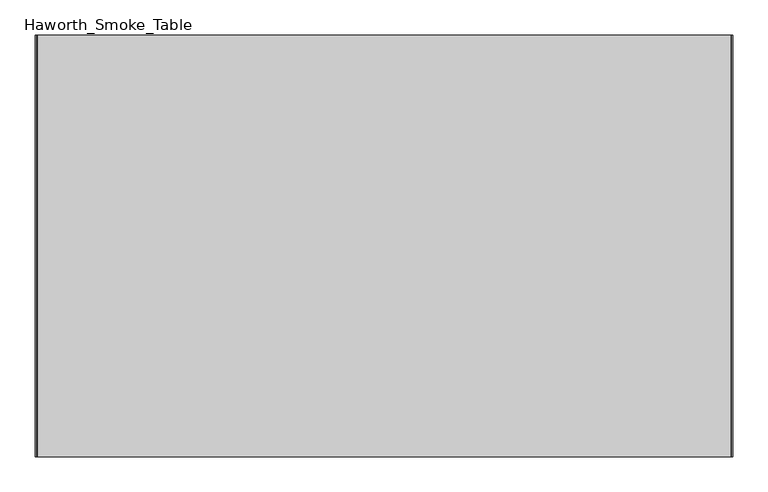
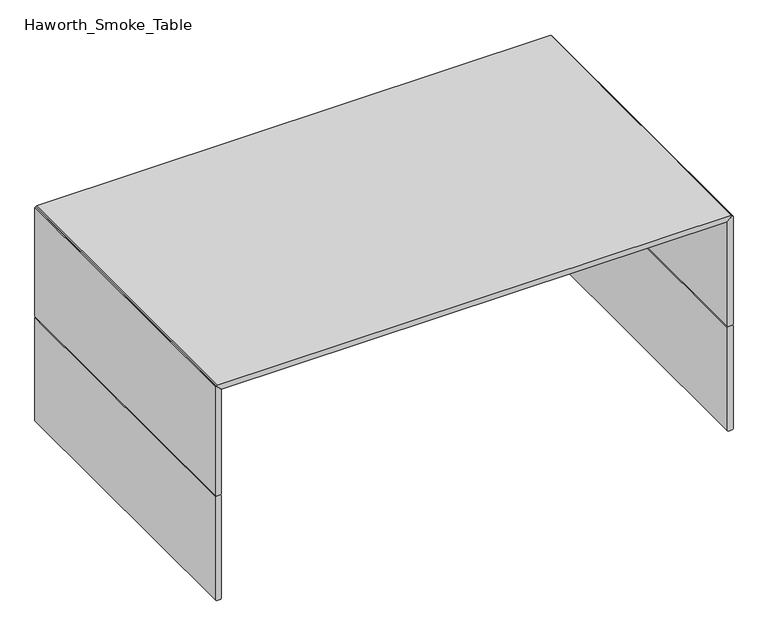
"""IFC4 building model written with IfcOpenShell, lengths in millimetres: furniture geometry, Haworth_Smoke_Table."""

from ifc_helpers import new_model, si_unit, frame, origin, place, context, project, spatial, polyline, outline, extrude, source, transform, mapped, element, save


def haworth_smoke_table_99dce85f(model_context):
    return source(origin(), model_context, "Body", "SweptSolid", [
        extrude(outline(polyline([(212.725, 488.95), (211.1375, 487.3625), (1.5875, 487.3625), (0.0, 488.95), (0.0, 496.8875), (1.5875, 498.475), (211.1375, 498.475), (212.725, 496.8875), (212.725, 488.95)])), frame((0.0, -305.6549408, 0.0), z_axis=(0.0, 1.0, 0.0), x_axis=(0.0, 0.0, 1.0)), (0.0, 0.0, 1.0), 603.25),
        extrude(outline(polyline([(212.725, -488.95), (212.725, -496.8875), (211.1375, -498.475), (1.5875, -498.475), (0.0, -496.8875), (0.0, -488.95), (1.5875, -487.3625), (211.1375, -487.3625), (212.725, -488.95)])), frame((0.0, -305.6549408, 0.0), z_axis=(0.0, 1.0, 0.0), x_axis=(0.0, 0.0, 1.0)), (0.0, 0.0, 1.0), 603.25),
        extrude(outline(polyline([(212.725, 488.95), (212.725, 496.8875), (214.3125, 498.475), (434.975, 498.475), (436.5625, 496.8875), (427.0375, 487.3625), (214.3125, 487.3625), (212.725, 488.95)])), frame((0.0, -305.6549408, 0.0), z_axis=(0.0, 1.0, 0.0), x_axis=(0.0, 0.0, 1.0)), (0.0, 0.0, 1.0), 603.25),
        extrude(outline(polyline([(212.725, -488.95), (214.3125, -487.3625), (427.0375, -487.3625), (436.5625, -496.8875), (434.975, -498.475), (214.3125, -498.475), (212.725, -496.8875), (212.725, -488.95)])), frame((0.0, -305.6549408, 0.0), z_axis=(0.0, 1.0, 0.0), x_axis=(0.0, 0.0, 1.0)), (0.0, 0.0, 1.0), 603.25),
        extrude(outline(polyline([(436.5625, -496.8875), (427.0375, -487.3625), (427.0375, 487.3625), (436.5625, 496.8875), (438.15, 495.3), (438.15, -495.3), (436.5625, -496.8875)])), frame((0.0, -305.6549408, 0.0), z_axis=(0.0, 1.0, 0.0), x_axis=(0.0, 0.0, 1.0)), (0.0, 0.0, 1.0), 603.25),
    ])


if __name__ == "__main__":
    model = new_model("IFC4")
    model_context = context("Model", 3, world=origin())
    ifc_project = project(units=[si_unit("LENGTHUNIT", "METRE", prefix="MILLI")], contexts=[model_context])
    site = spatial("IfcSite", under=ifc_project)
    building = spatial("IfcBuilding", under=site)
    placement = place(None, origin())
    haworth_smoke_table_shape = haworth_smoke_table_99dce85f(model_context)
    element("IfcFurniture", 1, ObjectType="Haworth_Smoke_Table", at=placement, inside=building, context=model_context, shape_type="MappedRepresentation", body=[
        mapped(haworth_smoke_table_shape, transform((0.0, 0.0, 0.0), x_axis=(1.0, 0.0, 0.0), y_axis=(0.0, 1.0, 0.0), z_axis=(0.0, 0.0, 1.0))),
    ])
    save(model, "model.ifc")
